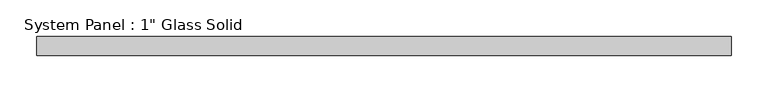
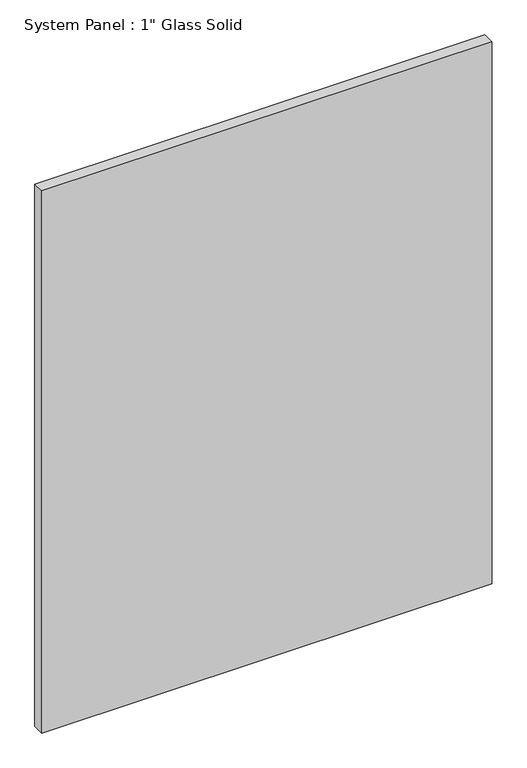
"""IFC4 building model written with IfcOpenShell, lengths in millimetres: plate geometry."""

from ifc_helpers import new_model, si_unit, origin, origin_with_axes, place, context, project, spatial, polyline, outline, extrude, source, transform, mapped, element, save


def plate_71aa9858(model_context):
    return source(origin(), model_context, "Body", "SweptSolid", [
        extrude(outline(polyline([(471.4875, -12.7), (-471.4875, -12.7), (-471.4875, 12.7), (471.4875, 12.7), (471.4875, -12.7)])), origin_with_axes(), (0.0, 0.0, 1.0), 1200.1517704),
    ])


if __name__ == "__main__":
    model = new_model("IFC4")
    model_context = context("Model", 3, world=origin())
    ifc_project = project(units=[si_unit("LENGTHUNIT", "METRE", prefix="MILLI")], contexts=[model_context])
    site = spatial("IfcSite", under=ifc_project)
    building = spatial("IfcBuilding", under=site)
    placement = place(None, origin())
    plate_shape = plate_71aa9858(model_context)
    element("IfcPlate", 1, ObjectType="System Panel : 1\" Glass Solid", at=placement, inside=building, context=model_context, shape_type="MappedRepresentation", body=[
        mapped(plate_shape, transform((0.0, 0.0, 0.0), x_axis=(1.0, 0.0, 0.0), y_axis=(0.0, 1.0, 0.0), z_axis=(0.0, 0.0, 1.0))),
    ])
    save(model, "model.ifc")
